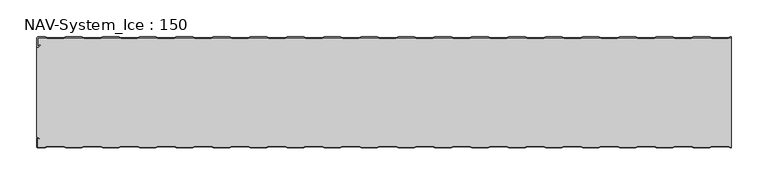
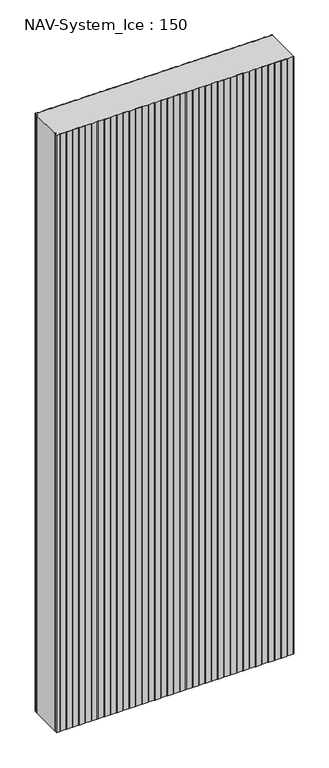
"""IFC4 building model written with IfcOpenShell, lengths in millimetres: plate geometry, NAV-System_Ice : 150."""

from ifc_helpers import new_model, si_unit, point, frame_2d, origin, origin_with_axes, place, context, project, spatial, polyline, circle_curve, trimmed, segment, composite_curve, outline, extrude, source, transform, mapped, element, save


def nav_system_ice_150_79a3d032(model_context):
    return source(origin(), model_context, "Body", "SweptSolid", [
        extrude(outline(composite_curve([segment(polyline([(469.1298221, -0.8), (466.1298221, -1.8), (443.8701779, -1.8), (440.8701779, -0.8), (419.1298221, -0.8), (416.1298221, -1.8), (393.8701779, -1.8), (390.8701779, -0.8), (369.1298221, -0.8), (366.1298221, -1.8), (343.8701779, -1.8), (340.8701779, -0.8), (319.1298221, -0.8), (316.1298221, -1.8), (293.8701779, -1.8), (290.8701779, -0.8), (269.1298221, -0.8), (266.1298221, -1.8), (243.8701779, -1.8), (240.8701779, -0.8), (219.1298221, -0.8), (216.1298221, -1.8), (193.8701779, -1.8), (190.8701779, -0.8), (169.1298221, -0.8), (166.1298221, -1.8), (143.8701779, -1.8), (140.8701779, -0.8), (119.1298221, -0.8), (116.1298221, -1.8), (93.8701779, -1.8), (90.8701779, -0.8), (69.1298221, -0.8), (66.1298221, -1.8), (43.8701779, -1.8), (40.8701779, -0.8), (19.1298221, -0.8), (16.1298221, -1.8), (-6.1298221, -1.8), (-9.1298221, -0.8), (-30.8701779, -0.8), (-33.8701779, -1.8), (-56.1298221, -1.8), (-59.1298221, -0.8), (-80.8701779, -0.8), (-83.8701779, -1.8), (-106.1298221, -1.8), (-109.1298221, -0.8), (-130.8701779, -0.8), (-133.8701779, -1.8), (-156.1298221, -1.8), (-159.1298221, -0.8), (-180.8701779, -0.8), (-183.8701779, -1.8), (-206.1298221, -1.8), (-209.1298221, -0.8), (-230.8701779, -0.8), (-233.8701779, -1.8), (-256.1298221, -1.8), (-259.1298221, -0.8), (-280.8701779, -0.8), (-283.8701779, -1.8), (-306.1298221, -1.8), (-309.1298221, -0.8), (-330.8701779, -0.8), (-333.8701779, -1.8), (-356.1298221, -1.8), (-359.1298221, -0.8), (-380.8701779, -0.8), (-383.8701779, -1.8), (-406.1298221, -1.8), (-409.1298221, -0.8), (-430.8701779, -0.8), (-433.8701779, -1.8), (-456.1298221, -1.8), (-459.1298221, -0.8), (-468.7, -0.8)]), True, "CONTINUOUS"), segment(trimmed(circle_curve(frame_2d((-468.7, -1.3)), 0.5), [point((-468.7, -0.8))], [point((-469.2, -1.3))], True, "CARTESIAN"), True, "CONTINUOUS"), segment(polyline([(-469.2, -1.3), (-469.2, -12.5857864)]), True, "CONTINUOUS"), segment(trimmed(circle_curve(frame_2d((-468.7, -12.5857864)), 0.5), [point((-469.2, -12.5857864))], [point((-468.3464466, -12.9393398))], True, "CARTESIAN"), True, "CONTINUOUS"), segment(polyline([(-468.3464466, -12.9393398), (-465.9205321, -10.5134253), (-465.3548467, -11.0791108), (-467.7807612, -13.5050253)]), True, "CONTINUOUS"), segment(trimmed(circle_curve(frame_2d((-468.7, -12.5857864)), 1.3), [point((-467.7807612, -13.5050253))], [point((-470.0, -12.5857864))], False, "CARTESIAN"), True, "CONTINUOUS"), segment(polyline([(-470.0, -12.5857864), (-470.0, -1.3)]), True, "CONTINUOUS"), segment(trimmed(circle_curve(frame_2d((-468.7, -1.3)), 1.3), [point((-470.0, -1.3))], [point((-468.7, 0.0))], False, "CARTESIAN"), True, "CONTINUOUS"), segment(polyline([(-468.7, 0.0), (-459.0, 0.0), (-456.0, -1.0), (-434.0, -1.0), (-431.0, 0.0), (-409.0, 0.0), (-406.0, -1.0), (-384.0, -1.0), (-381.0, 0.0), (-359.0, 0.0), (-356.0, -1.0), (-334.0, -1.0), (-331.0, 0.0), (-309.0, 0.0), (-306.0, -1.0), (-284.0, -1.0), (-281.0, 0.0), (-259.0, 0.0), (-256.0, -1.0), (-234.0, -1.0), (-231.0, 0.0), (-209.0, 0.0), (-206.0, -1.0), (-184.0, -1.0), (-181.0, 0.0), (-159.0, 0.0), (-156.0, -1.0), (-134.0, -1.0), (-131.0, 0.0), (-109.0, 0.0), (-106.0, -1.0), (-84.0, -1.0), (-81.0, 0.0), (-59.0, 0.0), (-56.0, -1.0), (-34.0, -1.0), (-31.0, 0.0), (-9.0, 0.0), (-6.0, -1.0), (16.0, -1.0), (19.0, 0.0), (41.0, 0.0), (44.0, -1.0), (66.0, -1.0), (69.0, 0.0), (91.0, 0.0), (94.0, -1.0), (116.0, -1.0), (119.0, 0.0), (141.0, 0.0), (144.0, -1.0), (166.0, -1.0), (169.0, 0.0), (191.0, 0.0), (194.0, -1.0), (216.0, -1.0), (219.0, 0.0), (241.0, 0.0), (244.0, -1.0), (266.0, -1.0), (269.0, 0.0), (291.0, 0.0), (294.0, -1.0), (316.0, -1.0), (319.0, 0.0), (341.0, 0.0), (344.0, -1.0), (366.0, -1.0), (369.0, 0.0), (391.0, 0.0), (394.0, -1.0), (416.0, -1.0), (419.0, 0.0), (441.0, 0.0), (444.0, -1.0), (466.0, -1.0), (469.0, 0.0), (470.0, 0.0), (470.0, -0.8), (469.1298221, -0.8)]), True, "CONTINUOUS")], self_intersect=False)), origin_with_axes(), (0.0, 0.0, 1.0), 2500.0),
        extrude(outline(composite_curve([segment(polyline([(469.1298221, -149.2), (466.1298221, -148.2), (443.8701779, -148.2), (440.8701779, -149.2), (419.1298221, -149.2), (416.1298221, -148.2), (393.8701779, -148.2), (390.8701779, -149.2), (369.1298221, -149.2), (366.1298221, -148.2), (343.8701779, -148.2), (340.8701779, -149.2), (319.1298221, -149.2), (316.1298221, -148.2), (293.8701779, -148.2), (290.8701779, -149.2), (269.1298221, -149.2), (266.1298221, -148.2), (243.8701779, -148.2), (240.8701779, -149.2), (219.1298221, -149.2), (216.1298221, -148.2), (193.8701779, -148.2), (190.8701779, -149.2), (169.1298221, -149.2), (166.1298221, -148.2), (143.8701779, -148.2), (140.8701779, -149.2), (119.1298221, -149.2), (116.1298221, -148.2), (93.8701779, -148.2), (90.8701779, -149.2), (69.1298221, -149.2), (66.1298221, -148.2), (43.8701779, -148.2), (40.8701779, -149.2), (19.1298221, -149.2), (16.1298221, -148.2), (-6.1298221, -148.2), (-9.1298221, -149.2), (-30.8701779, -149.2), (-33.8701779, -148.2), (-56.1298221, -148.2), (-59.1298221, -149.2), (-80.8701779, -149.2), (-83.8701779, -148.2), (-106.1298221, -148.2), (-109.1298221, -149.2), (-130.8701779, -149.2), (-133.8701779, -148.2), (-156.1298221, -148.2), (-159.1298221, -149.2), (-180.8701779, -149.2), (-183.8701779, -148.2), (-206.1298221, -148.2), (-209.1298221, -149.2), (-230.8701779, -149.2), (-233.8701779, -148.2), (-256.1298221, -148.2), (-259.1298221, -149.2), (-280.8701779, -149.2), (-283.8701779, -148.2), (-306.1298221, -148.2), (-309.1298221, -149.2), (-330.8701779, -149.2), (-333.8701779, -148.2), (-356.1298221, -148.2), (-359.1298221, -149.2), (-380.8701779, -149.2), (-383.8701779, -148.2), (-406.1298221, -148.2), (-409.1298221, -149.2), (-430.8701779, -149.2), (-433.8701779, -148.2), (-456.1298221, -148.2), (-459.1298221, -149.2), (-468.7, -149.2)]), True, "CONTINUOUS"), segment(trimmed(circle_curve(frame_2d((-468.7, -148.7)), 0.5), [point((-468.7, -149.2))], [point((-469.2, -148.7))], False, "CARTESIAN"), True, "CONTINUOUS"), segment(polyline([(-469.2, -148.7), (-469.2, -137.4142136)]), True, "CONTINUOUS"), segment(trimmed(circle_curve(frame_2d((-468.7, -137.4142136)), 0.5), [point((-469.2, -137.4142136))], [point((-468.3464466, -137.0606602))], False, "CARTESIAN"), True, "CONTINUOUS"), segment(polyline([(-468.3464466, -137.0606602), (-465.9205321, -139.4865747), (-465.3548467, -138.9208892), (-467.7807612, -136.4949747)]), True, "CONTINUOUS"), segment(trimmed(circle_curve(frame_2d((-468.7, -137.4142136)), 1.3), [point((-467.7807612, -136.4949747))], [point((-468.7, -136.1142136))], True, "CARTESIAN"), True, "CONTINUOUS"), segment(polyline([(-468.7, -136.1142136), (-470.0, -136.1142136), (-470.0, -13.8857864), (-468.7, -13.8857864)]), True, "CONTINUOUS"), segment(trimmed(circle_curve(frame_2d((-468.7, -12.5857864)), 1.3), [point((-468.7, -13.8857864))], [point((-467.7807612, -13.5050253))], True, "CARTESIAN"), True, "CONTINUOUS"), segment(polyline([(-467.7807612, -13.5050253), (-465.3548467, -11.0791108), (-465.9205321, -10.5134253), (-468.3464466, -12.9393398)]), True, "CONTINUOUS"), segment(trimmed(circle_curve(frame_2d((-468.7, -12.5857864)), 0.5), [point((-468.3464466, -12.9393398))], [point((-469.2, -12.5857864))], False, "CARTESIAN"), True, "CONTINUOUS"), segment(polyline([(-469.2, -12.5857864), (-469.2, -1.3)]), True, "CONTINUOUS"), segment(trimmed(circle_curve(frame_2d((-468.7, -1.3)), 0.5), [point((-469.2, -1.3))], [point((-468.7, -0.8))], False, "CARTESIAN"), True, "CONTINUOUS"), segment(polyline([(-468.7, -0.8), (-459.1298221, -0.8), (-456.1298221, -1.8), (-433.8701779, -1.8), (-430.8701779, -0.8), (-409.1298221, -0.8), (-406.1298221, -1.8), (-383.8701779, -1.8), (-380.8701779, -0.8), (-359.1298221, -0.8), (-356.1298221, -1.8), (-333.8701779, -1.8), (-330.8701779, -0.8), (-309.1298221, -0.8), (-306.1298221, -1.8), (-283.8701779, -1.8), (-280.8701779, -0.8), (-259.1298221, -0.8), (-256.1298221, -1.8), (-233.8701779, -1.8), (-230.8701779, -0.8), (-209.1298221, -0.8), (-206.1298221, -1.8), (-183.8701779, -1.8), (-180.8701779, -0.8), (-159.1298221, -0.8), (-156.1298221, -1.8), (-133.8701779, -1.8), (-130.8701779, -0.8), (-109.1298221, -0.8), (-106.1298221, -1.8), (-83.8701779, -1.8), (-80.8701779, -0.8), (-59.1298221, -0.8), (-56.1298221, -1.8), (-33.8701779, -1.8), (-30.8701779, -0.8), (-9.1298221, -0.8), (-6.1298221, -1.8), (16.1298221, -1.8), (19.1298221, -0.8), (40.8701779, -0.8), (43.8701779, -1.8), (66.1298221, -1.8), (69.1298221, -0.8), (90.8701779, -0.8), (93.8701779, -1.8), (116.1298221, -1.8), (119.1298221, -0.8), (140.8701779, -0.8), (143.8701779, -1.8), (166.1298221, -1.8), (169.1298221, -0.8), (190.8701779, -0.8), (193.8701779, -1.8), (216.1298221, -1.8), (219.1298221, -0.8), (240.8701779, -0.8), (243.8701779, -1.8), (266.1298221, -1.8), (269.1298221, -0.8), (290.8701779, -0.8), (293.8701779, -1.8), (316.1298221, -1.8), (319.1298221, -0.8), (340.8701779, -0.8), (343.8701779, -1.8), (366.1298221, -1.8), (369.1298221, -0.8), (390.8701779, -0.8), (393.8701779, -1.8), (416.1298221, -1.8), (419.1298221, -0.8), (440.8701779, -0.8), (443.8701779, -1.8), (466.1298221, -1.8), (469.1298221, -0.8), (470.0, -0.8), (470.0, -149.2), (469.1298221, -149.2)]), True, "CONTINUOUS")], self_intersect=False)), origin_with_axes(), (0.0, 0.0, 1.0), 2500.0),
        extrude(outline(composite_curve([segment(polyline([(469.0, -150.0), (466.0, -149.0), (444.0, -149.0), (441.0, -150.0), (419.0, -150.0), (416.0, -149.0), (394.0, -149.0), (391.0, -150.0), (369.0, -150.0), (366.0, -149.0), (344.0, -149.0), (341.0, -150.0), (319.0, -150.0), (316.0, -149.0), (294.0, -149.0), (291.0, -150.0), (269.0, -150.0), (266.0, -149.0), (244.0, -149.0), (241.0, -150.0), (219.0, -150.0), (216.0, -149.0), (194.0, -149.0), (191.0, -150.0), (169.0, -150.0), (166.0, -149.0), (144.0, -149.0), (141.0, -150.0), (119.0, -150.0), (116.0, -149.0), (94.0, -149.0), (91.0, -150.0), (69.0, -150.0), (66.0, -149.0), (44.0, -149.0), (41.0, -150.0), (19.0, -150.0), (16.0, -149.0), (-6.0, -149.0), (-9.0, -150.0), (-31.0, -150.0), (-34.0, -149.0), (-56.0, -149.0), (-59.0, -150.0), (-81.0, -150.0), (-84.0, -149.0), (-106.0, -149.0), (-109.0, -150.0), (-131.0, -150.0), (-134.0, -149.0), (-156.0, -149.0), (-159.0, -150.0), (-181.0, -150.0), (-184.0, -149.0), (-206.0, -149.0), (-209.0, -150.0), (-231.0, -150.0), (-234.0, -149.0), (-256.0, -149.0), (-259.0, -150.0), (-281.0, -150.0), (-284.0, -149.0), (-306.0, -149.0), (-309.0, -150.0), (-331.0, -150.0), (-334.0, -149.0), (-356.0, -149.0), (-359.0, -150.0), (-381.0, -150.0), (-384.0, -149.0), (-406.0, -149.0), (-409.0, -150.0), (-431.0, -150.0), (-434.0, -149.0), (-456.0, -149.0), (-459.0, -150.0), (-468.7, -150.0)]), True, "CONTINUOUS"), segment(trimmed(circle_curve(frame_2d((-468.7, -148.7)), 1.3), [point((-468.7, -150.0))], [point((-470.0, -148.7))], False, "CARTESIAN"), True, "CONTINUOUS"), segment(polyline([(-470.0, -148.7), (-470.0, -137.4142136)]), True, "CONTINUOUS"), segment(trimmed(circle_curve(frame_2d((-468.7, -137.4142136)), 1.3), [point((-470.0, -137.4142136))], [point((-467.7807612, -136.4949747))], False, "CARTESIAN"), True, "CONTINUOUS"), segment(polyline([(-467.7807612, -136.4949747), (-465.3548467, -138.9208892), (-465.9205321, -139.4865747), (-468.3464466, -137.0606602)]), True, "CONTINUOUS"), segment(trimmed(circle_curve(frame_2d((-468.7, -137.4142136)), 0.5), [point((-468.3464466, -137.0606602))], [point((-469.2, -137.4142136))], True, "CARTESIAN"), True, "CONTINUOUS"), segment(polyline([(-469.2, -137.4142136), (-469.2, -148.7)]), True, "CONTINUOUS"), segment(trimmed(circle_curve(frame_2d((-468.7, -148.7)), 0.5), [point((-469.2, -148.7))], [point((-468.7, -149.2))], True, "CARTESIAN"), True, "CONTINUOUS"), segment(polyline([(-468.7, -149.2), (-459.1298221, -149.2), (-456.1298221, -148.2), (-433.8701779, -148.2), (-430.8701779, -149.2), (-409.1298221, -149.2), (-406.1298221, -148.2), (-383.8701779, -148.2), (-380.8701779, -149.2), (-359.1298221, -149.2), (-356.1298221, -148.2), (-333.8701779, -148.2), (-330.8701779, -149.2), (-309.1298221, -149.2), (-306.1298221, -148.2), (-283.8701779, -148.2), (-280.8701779, -149.2), (-259.1298221, -149.2), (-256.1298221, -148.2), (-233.8701779, -148.2), (-230.8701779, -149.2), (-209.1298221, -149.2), (-206.1298221, -148.2), (-183.8701779, -148.2), (-180.8701779, -149.2), (-159.1298221, -149.2), (-156.1298221, -148.2), (-133.8701779, -148.2), (-130.8701779, -149.2), (-109.1298221, -149.2), (-106.1298221, -148.2), (-83.8701779, -148.2), (-80.8701779, -149.2), (-59.1298221, -149.2), (-56.1298221, -148.2), (-33.8701779, -148.2), (-30.8701779, -149.2), (-9.1298221, -149.2), (-6.1298221, -148.2), (16.1298221, -148.2), (19.1298221, -149.2), (40.8701779, -149.2), (43.8701779, -148.2), (66.1298221, -148.2), (69.1298221, -149.2), (90.8701779, -149.2), (93.8701779, -148.2), (116.1298221, -148.2), (119.1298221, -149.2), (140.8701779, -149.2), (143.8701779, -148.2), (166.1298221, -148.2), (169.1298221, -149.2), (190.8701779, -149.2), (193.8701779, -148.2), (216.1298221, -148.2), (219.1298221, -149.2), (240.8701779, -149.2), (243.8701779, -148.2), (266.1298221, -148.2), (269.1298221, -149.2), (290.8701779, -149.2), (293.8701779, -148.2), (316.1298221, -148.2), (319.1298221, -149.2), (340.8701779, -149.2), (343.8701779, -148.2), (366.1298221, -148.2), (369.1298221, -149.2), (390.8701779, -149.2), (393.8701779, -148.2), (416.1298221, -148.2), (419.1298221, -149.2), (440.8701779, -149.2), (443.8701779, -148.2), (466.1298221, -148.2), (469.1298221, -149.2), (470.0, -149.2), (470.0, -150.0), (469.0, -150.0)]), True, "CONTINUOUS")], self_intersect=False)), origin_with_axes(), (0.0, 0.0, 1.0), 2500.0),
    ])


if __name__ == "__main__":
    model = new_model("IFC4")
    model_context = context("Model", 3, world=origin())
    ifc_project = project(units=[si_unit("LENGTHUNIT", "METRE", prefix="MILLI")], contexts=[model_context])
    site = spatial("IfcSite", under=ifc_project)
    building = spatial("IfcBuilding", under=site)
    placement = place(None, origin())
    nav_system_ice_150_shape = nav_system_ice_150_79a3d032(model_context)
    element("IfcPlate", 1, ObjectType="NAV-System_Ice : 150", at=placement, inside=building, context=model_context, shape_type="MappedRepresentation", body=[
        mapped(nav_system_ice_150_shape, transform((0.0, 0.0, 0.0), x_axis=(1.0, 0.0, 0.0), y_axis=(0.0, 1.0, 0.0), z_axis=(0.0, 0.0, 1.0))),
    ])
    save(model, "model.ifc")
